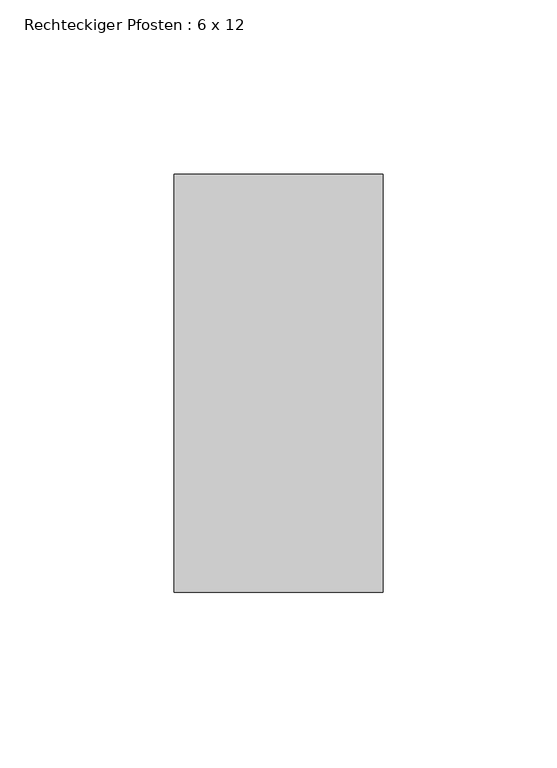
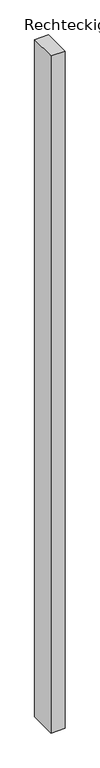
"""IFC4 building model written with IfcOpenShell, lengths in millimetres: member geometry, Rechteckiger Pfosten : 6 x 12."""

from ifc_helpers import new_model, si_unit, frame, origin, place, context, project, spatial, polyline, outline, extrude, source, transform, mapped, element, save


def rechteckiger_pfosten_6_x_12_112d3092(model_context):
    return source(origin(), model_context, "Body", "SweptSolid", [
        extrude(outline(polyline([(0.0, 60.0), (0.0, -60.0), (-60.0, -60.0), (-60.0, 60.0), (0.0, 60.0)])), frame((0.0, 0.0, -3050.0), z_axis=(0.0, 0.0, 1.0), x_axis=(1.0, 0.0, 0.0)), (0.0, 0.0, 1.0), 3050.0),
    ])


if __name__ == "__main__":
    model = new_model("IFC4")
    model_context = context("Model", 3, world=origin())
    ifc_project = project(units=[si_unit("LENGTHUNIT", "METRE", prefix="MILLI")], contexts=[model_context])
    site = spatial("IfcSite", under=ifc_project)
    building = spatial("IfcBuilding", under=site)
    placement = place(None, origin())
    rechteckiger_pfosten_6_x_12_shape = rechteckiger_pfosten_6_x_12_112d3092(model_context)
    element("IfcMember", 1, ObjectType="Rechteckiger Pfosten : 6 x 12", at=placement, inside=building, context=model_context, shape_type="MappedRepresentation", body=[
        mapped(rechteckiger_pfosten_6_x_12_shape, transform((0.0, 0.0, 0.0), x_axis=(1.0, 0.0, 0.0), y_axis=(0.0, 1.0, 0.0), z_axis=(0.0, 0.0, 1.0))),
    ])
    save(model, "model.ifc")
